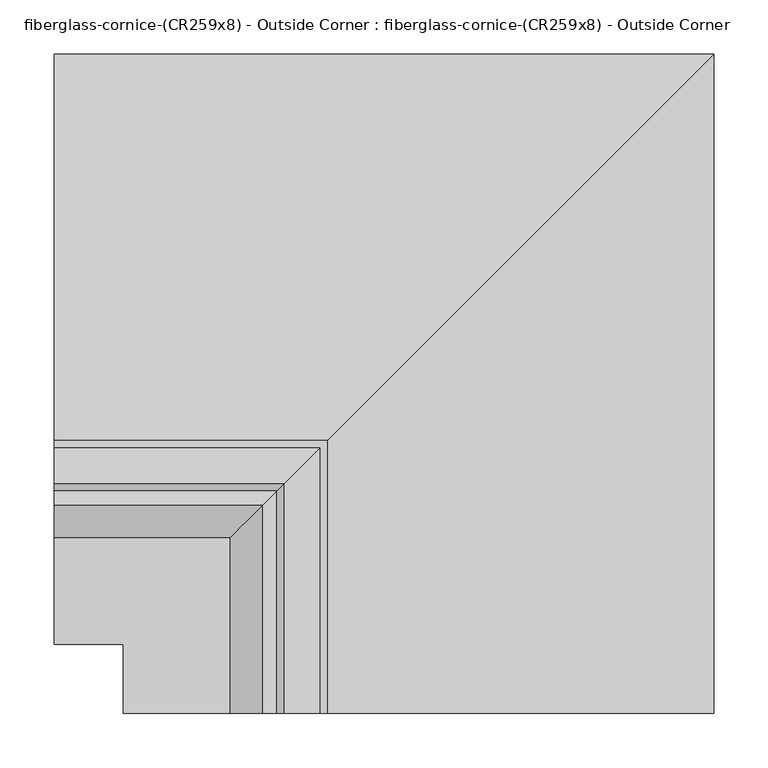
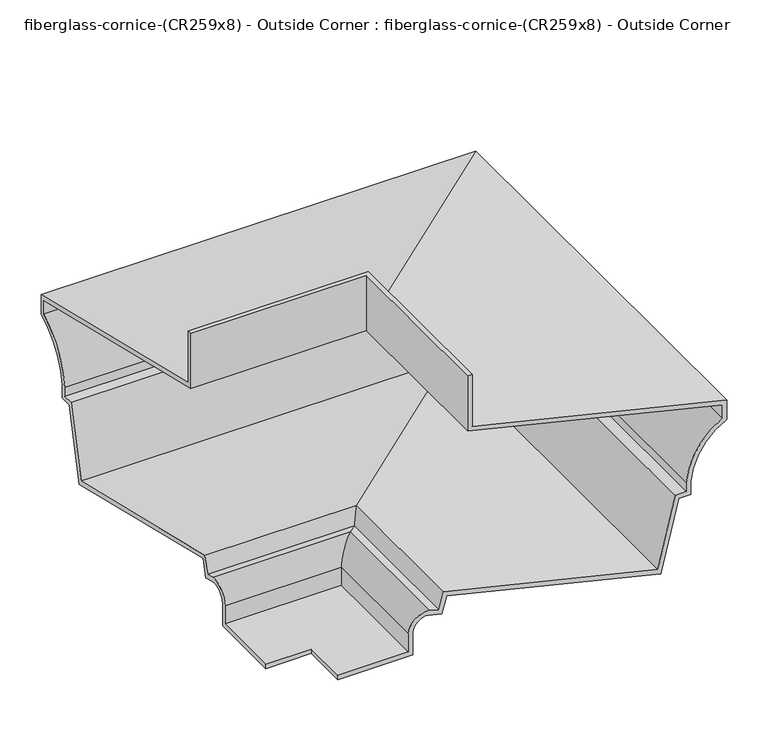
"""IFC4 building model written with IfcOpenShell, lengths in millimetres: furniture geometry, fiberglass-cornice-(CR259x8) - Outside Corner : fiberglass-cornice-(CR259x8) - Outside Corner."""

from ifc_helpers import new_model, si_unit, frame, origin, place, context, project, spatial, polyline, circle_curve, ellipse_curve, source, transform, mapped, element, save
from ifc_brep_helpers import plane_surface, cylinder_surface, revolved_surface, advanced_brep


def fiberglass_cornice_cr259x8_outside_corner_fiberglass_cornice_ca1c693a(model_context):
    return source(origin(), model_context, "Body", "AdvancedBrep", [
        advanced_brep(
        [(-196.9488213, 289.5422903, 330.1999904), (-196.9488213, 289.5422903, 253.7104048), (-196.9488213, 645.5323408, 167.8901062), (-196.9488213, 645.5323408, 139.2704835), (-196.9488213, 595.0669706, 64.9272032), (-196.9488213, 595.0669706, 45.9603526), (-196.9488213, 578.3016294, 45.9603526), (-196.9488213, 553.5572596, -56.6814421), (-196.9488213, 253.932114, 15.2521911), (-196.9488213, 247.3275857, -9.1337596), (-196.9488213, 228.332281, -4.0860563), (-196.9488213, 206.4257187, -22.2687052), (-196.9488213, 206.4257187, -55.1143044), (-196.9488213, 101.6, -55.1143044), (-196.9488213, 101.6, -48.7643044), (-196.9488213, 200.0757187, -48.7643044), (-196.9488213, 200.0757187, -22.0374139), (-196.9488213, 229.5262569, 2.167041), (-196.9488213, 242.8505092, -1.3736694), (-196.9488213, 249.4156714, 22.8669295), (-196.9488213, 548.8709007, -49.0259103), (-196.9488213, 573.3005395, 52.3103526), (-196.9488213, 588.7169706, 52.3103526), (-196.9488213, 588.7169706, 65.1880203), (-196.9488213, 639.1823408, 143.1140412), (-196.9488213, 639.1823408, 162.8890163), (-196.9488213, 283.1922903, 248.7093148), (-196.9488213, 283.1922903, 330.1999904), (54.5926877, 38.0007813, 330.1999904), (48.2426877, 38.0007813, 330.1999904), (48.2426877, 38.0007813, 248.7093148), (404.2327382, 38.0007813, 162.8890163), (404.2327382, 38.0007813, 143.1140412), (353.767368, 38.0007813, 65.1880203), (353.767368, 38.0007813, 52.3103526), (338.3509369, 38.0007813, 52.3103526), (313.9212981, 38.0007813, -49.0259103), (14.4660688, 38.0007813, 22.8669295), (7.9009066, 38.0007813, -1.3736694), (-5.4233457, 38.0007813, 2.167041), (-34.8738839, 38.0007813, -22.0374139), (-34.8738839, 38.0007813, -48.7643044), (-133.3496026, 38.0007813, -48.7643044), (-133.3496026, 38.0007813, -55.1143044), (-28.5238839, 38.0007813, -55.1143044), (-28.5238839, 38.0007813, -22.2687052), (-6.6173216, 38.0007813, -4.0860563), (12.3779831, 38.0007813, -9.1337596), (18.9825114, 38.0007813, 15.2521911), (318.607657, 38.0007813, -56.6814421), (343.3520268, 38.0007813, 45.9603526), (360.117368, 38.0007813, 45.9603526), (360.117368, 38.0007813, 64.9272032), (410.5827382, 38.0007813, 139.2704835), (410.5827382, 38.0007813, 167.8901062), (54.5926877, 38.0007813, 253.7104048), (54.5926877, 289.5422903, 330.1999904), (54.5926877, 289.5422903, 253.7104048), (410.5827382, 645.5323408, 167.8901062), (410.5827382, 645.5323408, 139.2704835), (360.117368, 595.0669706, 64.9272032), (360.117368, 595.0669706, 45.9603526), (343.3520268, 578.3016294, 45.9603526), (318.607657, 553.5572596, -56.6814421), (18.9825114, 253.932114, 15.2521911), (12.3779831, 247.3275857, -9.1337596), (-6.6173216, 228.332281, -4.0860563), (-28.5238839, 206.4257187, -22.2687052), (-28.5238839, 206.4257187, -55.1143044), (-133.3496026, 101.6, -55.1143044), (-133.3496026, 101.6, -48.7643044), (-34.8738839, 200.0757187, -48.7643044), (-34.8738839, 200.0757187, -22.0374139), (-5.4233457, 229.5262569, 2.167041), (7.9009066, 242.8505092, -1.3736694), (14.4660688, 249.4156714, 22.8669295), (313.9212981, 548.8709007, -49.0259103), (338.3509369, 573.3005395, 52.3103526), (353.767368, 588.7169706, 52.3103526), (353.767368, 588.7169706, 65.1880203), (404.2327382, 639.1823408, 143.1140412), (404.2327382, 639.1823408, 162.8890163), (48.2426877, 283.1922903, 248.7093148), (48.2426877, 283.1922903, 330.1999904)],
        [
            (0, 1),
            (1, 2),
            (2, 3),
            (3, 4, circle_curve(frame((-196.9488213, 686.3091118, 57.2906021), z_axis=(1.0, 0.0, 0.0), x_axis=(0.0, -0.44535009194871117, 0.8953565187126715)), 91.56116)),
            (4, 5),
            (5, 6),
            (6, 7),
            (7, 8),
            (8, 9),
            (9, 10),
            (10, 11, circle_curve(frame((-196.9488213, 226.2124344, -23.8199545), z_axis=(1.0, 0.0, 0.0), x_axis=(0.0, 0.1068071079409773, 0.9942797602753887)), 19.8474303)),
            (11, 12),
            (12, 13),
            (13, 14),
            (14, 15),
            (15, 16),
            (16, 17, circle_curve(frame((-196.9488213, 226.2124344, -23.8199545), z_axis=(-1.0, 0.0, 0.0), x_axis=(0.0, 0.12649418232537826, 0.9919673491793135)), 26.1974303)),
            (17, 18),
            (18, 19),
            (19, 20),
            (20, 21),
            (21, 22),
            (22, 23),
            (23, 24, circle_curve(frame((-196.9488213, 686.3091118, 57.2906021), z_axis=(-1.0, 0.0, 0.0), x_axis=(0.0, -0.48132175152741535, 0.8765439929099857)), 97.91116)),
            (24, 25),
            (25, 26),
            (26, 27),
            (27, 0),
            (28, 29),
            (29, 30),
            (30, 31),
            (31, 32),
            (32, 33, circle_curve(frame((451.3595092, 38.0007813, 57.2906021), z_axis=(0.0, -1.0, 0.0), x_axis=(-0.4813217515274153, 0.0, 0.8765439929099857)), 97.91116)),
            (33, 34),
            (34, 35),
            (35, 36),
            (36, 37),
            (37, 38),
            (38, 39),
            (39, 40, circle_curve(frame((-8.7371682, 38.0007813, -23.8199545), z_axis=(0.0, -1.0, 0.0), x_axis=(0.12649418232537823, 0.0, 0.9919673491793135)), 26.1974303)),
            (40, 41),
            (41, 42),
            (42, 43),
            (43, 44),
            (44, 45),
            (45, 46, circle_curve(frame((-8.7371682, 38.0007813, -23.8199545), z_axis=(0.0, 1.0, 0.0), x_axis=(0.10680710794097728, 0.0, 0.9942797602753887)), 19.8474303)),
            (46, 47),
            (47, 48),
            (48, 49),
            (49, 50),
            (50, 51),
            (51, 52),
            (52, 53, circle_curve(frame((451.3595092, 38.0007813, 57.2906021), z_axis=(0.0, 1.0, 0.0), x_axis=(-0.44535009194871117, 0.0, 0.8953565187126716)), 91.56116)),
            (53, 54),
            (54, 55),
            (55, 28),
            (0, 56),
            (56, 57),
            (57, 1),
            (57, 58),
            (58, 2),
            (58, 59),
            (59, 3),
            (59, 60, ellipse_curve(frame((451.3595092, 686.3091118, 57.2906021), z_axis=(0.7071067811865563, -0.7071067811865387, 0.0), x_axis=(0.7071067811865387, 0.7071067811865565, 0.0)), 129.4870342, 91.56116)),
            (60, 4),
            (60, 61),
            (61, 5),
            (61, 51),
            (50, 62),
            (62, 6),
            (62, 63),
            (63, 7),
            (63, 64),
            (64, 8),
            (64, 65),
            (65, 9),
            (65, 66),
            (66, 10),
            (66, 67, ellipse_curve(frame((-8.7371682, 226.2124344, -23.8199545), z_axis=(0.7071067811865563, -0.7071067811865387, 0.0), x_axis=(0.7071067811865387, 0.7071067811865565, 0.0)), 28.0685051, 19.8474303)),
            (67, 11),
            (67, 68),
            (68, 12),
            (68, 44),
            (43, 69),
            (69, 13),
            (69, 70),
            (70, 14),
            (70, 42),
            (41, 71),
            (71, 15),
            (71, 72),
            (72, 16),
            (72, 73, ellipse_curve(frame((-8.7371682, 226.2124344, -23.8199545), z_axis=(-0.7071067811865563, 0.7071067811865387, 0.0), x_axis=(-0.7071067811865387, -0.7071067811865565, 0.0)), 37.0487613, 26.1974303)),
            (73, 17),
            (73, 74),
            (74, 18),
            (74, 75),
            (75, 19),
            (75, 76),
            (76, 20),
            (76, 77),
            (77, 21),
            (77, 35),
            (34, 78),
            (78, 22),
            (78, 79),
            (79, 23),
            (79, 80, ellipse_curve(frame((451.3595092, 686.3091118, 57.2906021), z_axis=(-0.7071067811865563, 0.7071067811865387, 0.0), x_axis=(-0.7071067811865387, -0.7071067811865565, 0.0)), 138.4672904, 97.91116)),
            (80, 24),
            (80, 81),
            (81, 25),
            (81, 82),
            (82, 26),
            (82, 83),
            (83, 27),
            (83, 29),
            (28, 56),
            (55, 57),
            (54, 58),
            (53, 59),
            (52, 60),
            (49, 63),
            (48, 64),
            (47, 65),
            (46, 66),
            (45, 67),
            (40, 72),
            (39, 73),
            (38, 74),
            (37, 75),
            (36, 76),
            (33, 79),
            (32, 80),
            (31, 81),
            (30, 82),
        ],
        [
            plane_surface(frame((-196.9488213, 101.6, 330.1999904), z_axis=(-1.0, 0.0, 0.0), x_axis=(0.0, 0.0, 1.0))),
            plane_surface(frame((-133.3496026, 38.0007813, 330.1999904), z_axis=(0.0, -1.0, 0.0), x_axis=(0.0, 0.0, 1.0))),
            plane_surface(frame((-196.9488213, 289.5422903, 330.1999904), z_axis=(0.0, 1.0, 0.0), x_axis=(1.0, 0.0, 0.0))),
            plane_surface(frame((-196.9488213, 289.5422903, 253.7104048), z_axis=(0.0, 0.23436096824915315, 0.9721496472052641), x_axis=(1.0, 0.0, 0.0))),
            plane_surface(frame((-196.9488213, 645.5323408, 167.8901062), z_axis=(0.0, 1.0, 0.0), x_axis=(1.0, 0.0, 0.0))),
            revolved_surface(polyline([(542.9206691585533, 645.5323407750693, 139.27048356689392), (-196.9488213, 645.5323407750693, 139.27048356689392)]), (-196.9488213, 686.3091118, 57.2906021), (1.0, 0.0, 0.0)),
            plane_surface(frame((-196.9488213, 595.0669706, 64.9272032), z_axis=(0.0, 1.0, 0.0), x_axis=(1.0, 0.0, 0.0))),
            plane_surface(frame((-196.9488213, 595.0669706, 45.9603526), z_axis=(0.0, 0.0, -1.0), x_axis=(1.0, 0.0, 0.0))),
            plane_surface(frame((-196.9488213, 578.3016294, 45.9603526), z_axis=(0.0, 0.9721496472052688, -0.23436096824913394), x_axis=(1.0, 0.0, 0.0))),
            plane_surface(frame((-196.9488213, 553.5572596, -56.6814421), z_axis=(0.0, -0.23344536385618314, -0.9723699203976099), x_axis=(1.0, 0.0, 0.0))),
            plane_surface(frame((-196.9488213, 253.932114, 15.2521911), z_axis=(0.0, 0.9652263719199689, -0.2614154757282249), x_axis=(1.0, 0.0, 0.0))),
            plane_surface(frame((-196.9488213, 247.3275857, -9.1337596), z_axis=(0.0, -0.2568212515633122, -0.966458920361054), x_axis=(1.0, 0.0, 0.0))),
            revolved_surface(polyline([(11.110262093978946, 228.33228103040312, -4.086056259233516), (-196.9488213, 228.33228103040312, -4.086056259233516)]), (-196.9488213, 226.2124344, -23.8199545), (1.0, 0.0, 0.0)),
            plane_surface(frame((-196.9488213, 206.4257187, -22.2687052), z_axis=(0.0, 1.0, 0.0), x_axis=(1.0, 0.0, 0.0))),
            plane_surface(frame((-196.9488213, 206.4257187, -55.1143044), z_axis=(0.0, 0.0, -1.0), x_axis=(1.0, 0.0, 0.0))),
            plane_surface(frame((-196.9488213, 101.6, -55.1143044), z_axis=(0.0, -1.0, 0.0), x_axis=(1.0, 0.0, 0.0))),
            plane_surface(frame((-196.9488213, 101.6, -48.7643044), z_axis=(0.0, 0.0, 1.0), x_axis=(1.0, 0.0, 0.0))),
            plane_surface(frame((-196.9488213, 200.0757187, -48.7643044), z_axis=(0.0, -1.0, 0.0), x_axis=(1.0, 0.0, 0.0))),
            cylinder_surface(frame((-196.9488213, 226.2124344, -23.8199545), z_axis=(-1.0, 0.0, 0.0), x_axis=(0.0, 0.12649418232537826, 0.9919673491793135)), 26.1974303),
            plane_surface(frame((-196.9488213, 229.5262569, 2.167041), z_axis=(0.0, 0.25682125156327507, 0.9664589203610637), x_axis=(1.0, 0.0, 0.0))),
            plane_surface(frame((-196.9488213, 242.8505092, -1.3736694), z_axis=(0.0, -0.965226371919969, 0.2614154757282243), x_axis=(1.0, 0.0, 0.0))),
            plane_surface(frame((-196.9488213, 249.4156714, 22.8669295), z_axis=(0.0, 0.23344536385618275, 0.97236992039761), x_axis=(1.0, 0.0, 0.0))),
            plane_surface(frame((-196.9488213, 548.8709007, -49.0259103), z_axis=(0.0, -0.9721496472052703, 0.23436096824912742), x_axis=(1.0, 0.0, 0.0))),
            plane_surface(frame((-196.9488213, 573.3005395, 52.3103526), z_axis=(0.0, 0.0, 1.0), x_axis=(1.0, 0.0, 0.0))),
            plane_surface(frame((-196.9488213, 588.7169706, 52.3103526), z_axis=(0.0, -1.0, 0.0), x_axis=(1.0, 0.0, 0.0))),
            cylinder_surface(frame((-196.9488213, 686.3091118, 57.2906021), z_axis=(-1.0, 0.0, 0.0), x_axis=(0.0, -0.48132175152741535, 0.8765439929099857)), 97.91116),
            plane_surface(frame((-196.9488213, 639.1823408, 143.1140412), z_axis=(0.0, -1.0, 0.0), x_axis=(1.0, 0.0, 0.0))),
            plane_surface(frame((-196.9488213, 639.1823408, 162.8890163), z_axis=(0.0, -0.23436096824915453, -0.9721496472052638), x_axis=(1.0, 0.0, 0.0))),
            plane_surface(frame((-196.9488213, 283.1922903, 248.7093148), z_axis=(0.0, -1.0, 0.0), x_axis=(1.0, 0.0, 0.0))),
            plane_surface(frame((-196.9488213, 283.1922903, 330.1999904), z_axis=(0.0, 0.0, 1.0), x_axis=(1.0, 0.0, 0.0))),
            plane_surface(frame((54.5926877, 289.5422903, 330.1999904), z_axis=(1.0, 0.0, 0.0), x_axis=(0.0, -1.0, 0.0))),
            plane_surface(frame((54.5926877, 289.5422903, 253.7104048), z_axis=(0.23436096824915317, 0.0, 0.9721496472052641), x_axis=(0.0, -1.0, 0.0))),
            plane_surface(frame((410.5827382, 645.5323408, 167.8901062), z_axis=(1.0, 0.0, 0.0), x_axis=(0.0, -1.0, 0.0))),
            revolved_surface(polyline([(410.5827381750693, 38.0007813, 139.27048356689392), (410.5827381750693, 777.8702717585555, 139.27048356689392)]), (451.3595092, 101.6, 57.2906021), (0.0, -1.0, 0.0)),
            plane_surface(frame((360.117368, 595.0669706, 64.9272032), z_axis=(1.0, 0.0, 0.0), x_axis=(0.0, -1.0, 0.0))),
            plane_surface(frame((343.3520268, 578.3016294, 45.9603526), z_axis=(0.9721496472052688, 0.0, -0.2343609682491339), x_axis=(0.0, -1.0, 0.0))),
            plane_surface(frame((318.607657, 553.5572596, -56.6814421), z_axis=(-0.23344536385618317, 0.0, -0.9723699203976099), x_axis=(0.0, -1.0, 0.0))),
            plane_surface(frame((18.9825114, 253.932114, 15.2521911), z_axis=(0.9652263719199689, 0.0, -0.2614154757282248), x_axis=(0.0, -1.0, 0.0))),
            plane_surface(frame((12.3779831, 247.3275857, -9.1337596), z_axis=(-0.2568212515633122, 0.0, -0.9664589203610539), x_axis=(0.0, -1.0, 0.0))),
            revolved_surface(polyline([(-6.617321569596877, 38.0007813, -4.086056259233516), (-6.617321569596877, 246.05986469397945, -4.086056259233516)]), (-8.7371682, 101.6, -23.8199545), (0.0, -1.0, 0.0)),
            plane_surface(frame((-28.5238839, 206.4257187, -22.2687052), z_axis=(1.0, 0.0, 0.0), x_axis=(0.0, -1.0, 0.0))),
            plane_surface(frame((-133.3496026, 101.6, -55.1143044), z_axis=(-1.0, 0.0, 0.0), x_axis=(0.0, -1.0, 0.0))),
            plane_surface(frame((-34.8738839, 200.0757187, -48.7643044), z_axis=(-1.0, 0.0, 0.0), x_axis=(0.0, -1.0, 0.0))),
            cylinder_surface(frame((-8.7371682, 101.6, -23.8199545), z_axis=(0.0, 1.0, 0.0), x_axis=(0.12649418232537823, 0.0, 0.9919673491793135)), 26.1974303),
            plane_surface(frame((-5.4233457, 229.5262569, 2.167041), z_axis=(0.2568212515632751, 0.0, 0.9664589203610637), x_axis=(0.0, -1.0, 0.0))),
            plane_surface(frame((7.9009066, 242.8505092, -1.3736694), z_axis=(-0.965226371919969, 0.0, 0.26141547572822427), x_axis=(0.0, -1.0, 0.0))),
            plane_surface(frame((14.4660688, 249.4156714, 22.8669295), z_axis=(0.23344536385618278, 0.0, 0.97236992039761), x_axis=(0.0, -1.0, 0.0))),
            plane_surface(frame((313.9212981, 548.8709007, -49.0259103), z_axis=(-0.9721496472052703, 0.0, 0.2343609682491274), x_axis=(0.0, -1.0, 0.0))),
            plane_surface(frame((353.767368, 588.7169706, 52.3103526), z_axis=(-1.0, 0.0, 0.0), x_axis=(0.0, -1.0, 0.0))),
            cylinder_surface(frame((451.3595092, 101.6, 57.2906021), z_axis=(0.0, 1.0, 0.0), x_axis=(-0.4813217515274153, 0.0, 0.8765439929099857)), 97.91116),
            plane_surface(frame((404.2327382, 639.1823408, 143.1140412), z_axis=(-1.0, 0.0, 0.0), x_axis=(0.0, -1.0, 0.0))),
            plane_surface(frame((404.2327382, 639.1823408, 162.8890163), z_axis=(-0.23436096824915456, 0.0, -0.9721496472052638), x_axis=(0.0, -1.0, 0.0))),
            plane_surface(frame((48.2426877, 283.1922903, 248.7093148), z_axis=(-1.0, 0.0, 0.0), x_axis=(0.0, -1.0, 0.0))),
        ],
        [
            (0, [[1, 2, 3, 4, 5, 6, 7, 8, 9, 10, 11, 12, 13, 14, 15, 16, 17, 18, 19, 20, 21, 22, 23, 24, 25, 26, 27, 28]]),
            (1, [[29, 30, 31, 32, 33, 34, 35, 36, 37, 38, 39, 40, 41, 42, 43, 44, 45, 46, 47, 48, 49, 50, 51, 52, 53, 54, 55, 56]]),
            (2, [[-1, 57, 58, 59]]),
            (3, [[-2, -59, 60, 61]]),
            (4, [[-3, -61, 62, 63]]),
            (5, [[-4, -63, 64, 65]]),
            (6, [[-5, -65, 66, 67]]),
            (7, [[-6, -67, 68, -51, 69, 70]]),
            (8, [[-7, -70, 71, 72]]),
            (9, [[-8, -72, 73, 74]]),
            (10, [[-9, -74, 75, 76]]),
            (11, [[-10, -76, 77, 78]]),
            (12, [[-11, -78, 79, 80]]),
            (13, [[-12, -80, 81, 82]]),
            (14, [[-13, -82, 83, -44, 84, 85]]),
            (15, [[-14, -85, 86, 87]]),
            (16, [[-15, -87, 88, -42, 89, 90]]),
            (17, [[-16, -90, 91, 92]]),
            (18, [[-17, -92, 93, 94]]),
            (19, [[-18, -94, 95, 96]]),
            (20, [[-19, -96, 97, 98]]),
            (21, [[-20, -98, 99, 100]]),
            (22, [[-21, -100, 101, 102]]),
            (23, [[-22, -102, 103, -35, 104, 105]]),
            (24, [[-23, -105, 106, 107]]),
            (25, [[-24, -107, 108, 109]]),
            (26, [[-25, -109, 110, 111]]),
            (27, [[-26, -111, 112, 113]]),
            (28, [[-27, -113, 114, 115]]),
            (29, [[-28, -115, 116, -29, 117, -57]]),
            (30, [[-58, -117, -56, 118]]),
            (31, [[-60, -118, -55, 119]]),
            (32, [[-62, -119, -54, 120]]),
            (33, [[-64, -120, -53, 121]]),
            (34, [[-66, -121, -52, -68]]),
            (35, [[-71, -69, -50, 122]]),
            (36, [[-73, -122, -49, 123]]),
            (37, [[-75, -123, -48, 124]]),
            (38, [[-77, -124, -47, 125]]),
            (39, [[-79, -125, -46, 126]]),
            (40, [[-81, -126, -45, -83]]),
            (41, [[-86, -84, -43, -88]]),
            (42, [[-91, -89, -41, 127]]),
            (43, [[-93, -127, -40, 128]]),
            (44, [[-95, -128, -39, 129]]),
            (45, [[-97, -129, -38, 130]]),
            (46, [[-99, -130, -37, 131]]),
            (47, [[-101, -131, -36, -103]]),
            (48, [[-106, -104, -34, 132]]),
            (49, [[-108, -132, -33, 133]]),
            (50, [[-110, -133, -32, 134]]),
            (51, [[-112, -134, -31, 135]]),
            (52, [[-114, -135, -30, -116]]),
        ],
    ),
    ])


if __name__ == "__main__":
    model = new_model("IFC4")
    model_context = context("Model", 3, world=origin())
    ifc_project = project(units=[si_unit("LENGTHUNIT", "METRE", prefix="MILLI")], contexts=[model_context])
    site = spatial("IfcSite", under=ifc_project)
    building = spatial("IfcBuilding", under=site)
    placement = place(None, origin())
    fiberglass_cornice_cr259x8_outside_corner_fiberglass_cornice_shape = fiberglass_cornice_cr259x8_outside_corner_fiberglass_cornice_ca1c693a(model_context)
    element("IfcFurniture", 1, ObjectType="fiberglass-cornice-(CR259x8) - Outside Corner : fiberglass-cornice-(CR259x8) - Outside Corner", at=placement, inside=building, context=model_context, shape_type="MappedRepresentation", body=[
        mapped(fiberglass_cornice_cr259x8_outside_corner_fiberglass_cornice_shape, transform((0.0, 0.0, 0.0), x_axis=(1.0, 0.0, 0.0), y_axis=(0.0, 1.0, 0.0), z_axis=(0.0, 0.0, 1.0))),
    ])
    save(model, "model.ifc")
